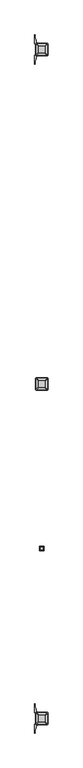
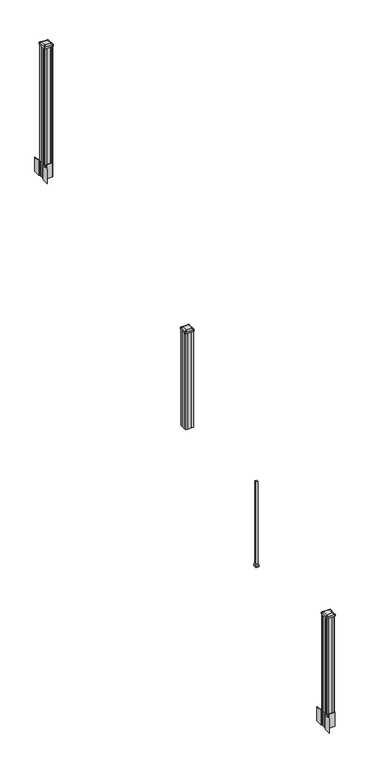
"""IFC4 building model written with IfcOpenShell, lengths in millimetres: railing geometry."""

from ifc_helpers import new_model, si_unit, point, frame, frame_2d, origin, place, context, project, spatial, polyline, circle_curve, trimmed, segment, composite_curve, outline, extrude, faceted_brep, source, transform, mapped, element, save
from ifc_brep_helpers import plane_surface, extruded_surface, advanced_brep


def railing_c8f4f0c5(model_context):
    return source(origin(), model_context, "Body", "SolidModel", [
        advanced_brep(
        [(9677.4407728, -100746.2347203, 2774.439263), (9729.0345228, -100746.2347203, 2774.439263), (9732.2095228, -100743.0597203, 2774.439263), (9732.2095228, -100691.4659703, 2774.439263), (9729.0345228, -100688.2909703, 2774.439263), (9677.4407728, -100688.2909703, 2774.439263), (9674.2657728, -100691.4659703, 2774.439263), (9674.2657728, -100743.0597203, 2774.439263), (9661.1688978, -100762.5065953, 2763.136263), (9657.9938978, -100759.3315953, 2763.136263), (9657.9938978, -100675.1940953, 2763.136263), (9661.1688978, -100672.0190953, 2763.136263), (9745.3063978, -100672.0190953, 2763.136263), (9748.4813978, -100675.1940953, 2763.136263), (9748.4813978, -100759.3315953, 2763.136263), (9745.3063978, -100762.5065953, 2763.136263)],
        [
            (0, 1),
            (1, 2, circle_curve(frame((9729.0345228, -100743.0597203, 2774.439263), z_axis=(0.0, 0.0, 1.0), x_axis=(0.0, 1.0, 0.0)), 3.175)),
            (2, 3),
            (3, 4, circle_curve(frame((9729.0345228, -100691.4659703, 2774.439263), z_axis=(0.0, 0.0, 1.0), x_axis=(0.0, 1.0, 0.0)), 3.175)),
            (4, 5),
            (5, 6, circle_curve(frame((9677.4407728, -100691.4659703, 2774.439263), z_axis=(0.0, 0.0, 1.0), x_axis=(0.0, 1.0, 0.0)), 3.175)),
            (6, 7),
            (7, 0, circle_curve(frame((9677.4407728, -100743.0597203, 2774.439263), z_axis=(0.0, 0.0, 1.0), x_axis=(0.0, 1.0, 0.0)), 3.175)),
            (8, 9, circle_curve(frame((9661.1688978, -100759.3315953, 2763.136263), z_axis=(0.0, 0.0, -1.0), x_axis=(0.0, 1.0, 0.0)), 3.175)),
            (9, 10),
            (10, 11, circle_curve(frame((9661.1688978, -100675.1940953, 2763.136263), z_axis=(0.0, 0.0, -1.0), x_axis=(0.0, 1.0, 0.0)), 3.175)),
            (11, 12),
            (12, 13, circle_curve(frame((9745.3063978, -100675.1940953, 2763.136263), z_axis=(0.0, 0.0, -1.0), x_axis=(0.0, 1.0, 0.0)), 3.175)),
            (13, 14),
            (14, 15, circle_curve(frame((9745.3063978, -100759.3315953, 2763.136263), z_axis=(0.0, 0.0, -1.0), x_axis=(0.0, 1.0, 0.0)), 3.175)),
            (15, 8),
            (8, 0),
            (7, 9),
            (6, 10),
            (5, 11),
            (4, 12),
            (3, 13),
            (2, 14),
            (1, 15),
        ],
        [
            plane_surface(frame((9703.2376478, -100717.2628453, 2774.439263), z_axis=(0.0, 0.0, 1.0), x_axis=(-1.0, 0.0, 0.0))),
            plane_surface(frame((9703.2376478, -100717.2628453, 2763.136263), z_axis=(0.0, 0.0, -1.0), x_axis=(-1.0, 0.0, 0.0))),
            extruded_surface(trimmed(circle_curve(frame((9677.4407728, -100743.0597203, 2774.439263), z_axis=(0.0, 0.0, -1.0), x_axis=(0.0, 1.0, 0.0)), 3.175), [point((9677.4407728, -100746.2347203, 2774.439263))], [point((9674.2657728, -100743.0597203, 2774.439263))], True, "CARTESIAN"), (-16.271875000000364, -16.27187499999127, -11.303000000000338), 25.637972638861),
            plane_surface(frame((9657.9938978, -100717.2628453, 2763.136263), z_axis=(-0.5705009161540778, 0.0, 0.8212969649690408), x_axis=(0.0, 1.0, 0.0))),
            extruded_surface(trimmed(circle_curve(frame((9677.4407728, -100691.4659703, 2774.439263), z_axis=(0.0, 0.0, -1.0), x_axis=(0.0, 1.0, 0.0)), 3.175), [point((9674.2657728, -100691.4659703, 2774.439263))], [point((9677.4407728, -100688.2909703, 2774.439263))], True, "CARTESIAN"), (-16.271875000000364, 16.27187500000582, -11.303000000000338), 25.637972638870238),
            plane_surface(frame((9703.2376478, -100672.0190953, 2763.136263), z_axis=(0.0, 0.5705009161540291, 0.8212969649690747), x_axis=(1.0, 0.0, 0.0))),
            extruded_surface(trimmed(circle_curve(frame((9729.0345228, -100691.4659703, 2774.439263), z_axis=(0.0, 0.0, -1.0), x_axis=(0.0, 1.0, 0.0)), 3.175), [point((9729.0345228, -100688.2909703, 2774.439263))], [point((9732.2095228, -100691.4659703, 2774.439263))], True, "CARTESIAN"), (16.271874999998545, 16.27187500000582, -11.303000000000338), 25.637972638869083),
            plane_surface(frame((9748.4813978, -100717.2628453, 2763.136263), z_axis=(0.5705009161540142, 0.0, 0.8212969649690851), x_axis=(0.0, -1.0, 0.0))),
            extruded_surface(trimmed(circle_curve(frame((9729.0345228, -100743.0597203, 2774.439263), z_axis=(0.0, 0.0, -1.0), x_axis=(0.0, 1.0, 0.0)), 3.175), [point((9732.2095228, -100743.0597203, 2774.439263))], [point((9729.0345228, -100746.2347203, 2774.439263))], True, "CARTESIAN"), (16.271874999998545, -16.27187499999127, -11.303000000000338), 25.637972638859846),
            plane_surface(frame((9703.2376478, -100762.5065953, 2763.136263), z_axis=(0.0, -0.570500916154034, 0.8212969649690713), x_axis=(-1.0, 0.0, 0.0))),
        ],
        [
            (0, [[1, 2, 3, 4, 5, 6, 7, 8]]),
            (1, [[9, 10, 11, 12, 13, 14, 15, 16]]),
            (2, [[17, -8, 18, -9]]),
            (3, [[-18, -7, 19, -10]]),
            (4, [[-19, -6, 20, -11]]),
            (5, [[-20, -5, 21, -12]]),
            (6, [[-21, -4, 22, -13]]),
            (7, [[-22, -3, 23, -14]]),
            (8, [[-23, -2, 24, -15]]),
            (9, [[-24, -1, -17, -16]]),
        ],
    ),
        extrude(outline(composite_curve([segment(trimmed(circle_curve(frame_2d((9661.1688978, -100759.3315953)), 3.175), [point((9661.1688978, -100762.5065953))], [point((9657.9938978, -100759.3315953))], False, "CARTESIAN"), True, "CONTINUOUS"), segment(polyline([(9657.9938978, -100759.3315953), (9657.9938978, -100675.1940953)]), True, "CONTINUOUS"), segment(trimmed(circle_curve(frame_2d((9661.1688978, -100675.1940953)), 3.175), [point((9657.9938978, -100675.1940953))], [point((9661.1688978, -100672.0190953))], False, "CARTESIAN"), True, "CONTINUOUS"), segment(polyline([(9661.1688978, -100672.0190953), (9745.3063978, -100672.0190953)]), True, "CONTINUOUS"), segment(trimmed(circle_curve(frame_2d((9745.3063978, -100675.1940953)), 3.175), [point((9745.3063978, -100672.0190953))], [point((9748.4813978, -100675.1940953))], False, "CARTESIAN"), True, "CONTINUOUS"), segment(polyline([(9748.4813978, -100675.1940953), (9748.4813978, -100759.3315953)]), True, "CONTINUOUS"), segment(trimmed(circle_curve(frame_2d((9745.3063978, -100759.3315953)), 3.175), [point((9748.4813978, -100759.3315953))], [point((9745.3063978, -100762.5065953))], False, "CARTESIAN"), True, "CONTINUOUS"), segment(polyline([(9745.3063978, -100762.5065953), (9661.1688978, -100762.5065953)]), True, "CONTINUOUS")], self_intersect=False)), frame((0.0, 0.0, 2745.864263), z_axis=(0.0, 0.0, 1.0), x_axis=(1.0, 0.0, 0.0)), (0.0, 0.0, 1.0), 17.272),
        extrude(outline(polyline([(9663.5501478, -100758.5378453), (9661.9626478, -100756.9503453), (9661.9626478, -100737.3288453), (9663.5501478, -100736.5668453), (9663.5501478, -100697.9588453), (9661.9626478, -100697.1968453), (9661.9626478, -100677.5753453), (9663.5501478, -100675.9878453), (9683.1716478, -100675.9878453), (9683.9336478, -100677.5753453), (9722.5416478, -100677.5753453), (9723.3036478, -100675.9878453), (9742.9251478, -100675.9878453), (9744.5126478, -100677.5753453), (9744.5126478, -100697.1968453), (9742.9251478, -100697.9588453), (9742.9251478, -100736.5668453), (9744.5126478, -100737.3288453), (9744.5126478, -100756.9503453), (9742.9251478, -100758.5378453), (9723.3036478, -100758.5378453), (9722.5416478, -100756.9503453), (9683.9336478, -100756.9503453), (9683.1716478, -100758.5378453), (9663.5501478, -100758.5378453)])), frame((0.0, 0.0, 1714.5), z_axis=(0.0, 0.0, 1.0), x_axis=(1.0, 0.0, 0.0)), (0.0, 0.0, 1.0), 1031.364263),
        faceted_brep([(9715.9376478, -101949.1628453, 984.6497081), (9715.9376478, -101923.7628453, 984.6497081), (9690.5376478, -101923.7628453, 984.6497081), (9690.5376478, -101949.1628453, 984.6497081), (9719.1126478, -101952.3378453, 968.7747081), (9687.3626478, -101952.3378453, 968.7747081), (9687.3626478, -101920.5878453, 968.7747081), (9719.1126478, -101920.5878453, 968.7747081)], [[[0, 1, 2, 3]], [[4, 5, 6, 7]], [[4, 0, 3, 5]], [[5, 3, 2, 6]], [[6, 2, 1, 7]], [[7, 1, 0, 4]]]),
        extrude(outline(polyline([(9719.1126478, -101952.3378453), (9687.3626478, -101952.3378453), (9687.3626478, -101920.5878453), (9719.1126478, -101920.5878453), (9719.1126478, -101952.3378453)])), frame((0.0, 0.0, 952.5), z_axis=(0.0, 0.0, 1.0), x_axis=(1.0, 0.0, 0.0)), (0.0, 0.0, 1.0), 16.2747081),
        extrude(outline(polyline([(9712.7626478, -101945.9878453), (9693.7126478, -101945.9878453), (9693.7126478, -101926.9378453), (9712.7626478, -101926.9378453), (9712.7626478, -101945.9878453)])), frame((0.0, 0.0, 952.5), z_axis=(0.0, 0.0, 1.0), x_axis=(1.0, 0.0, 0.0)), (0.0, 0.0, 1.0), 914.4),
        extrude(outline(polyline([(9663.5501478, -98278.7358453), (9661.9626478, -98277.1483453), (9661.9626478, -98257.5268453), (9663.5501478, -98256.7648453), (9663.5501478, -98218.1568453), (9661.9626478, -98217.3948453), (9661.9626478, -98197.7733453), (9663.5501478, -98196.1858453), (9683.1716478, -98196.1858453), (9683.9336478, -98197.7733453), (9722.5416478, -98197.7733453), (9723.3036478, -98196.1858453), (9742.9251478, -98196.1858453), (9744.5126478, -98197.7733453), (9744.5126478, -98217.3948453), (9742.9251478, -98218.1568453), (9742.9251478, -98256.7648453), (9744.5126478, -98257.5268453), (9744.5126478, -98277.1483453), (9742.9251478, -98278.7358453), (9723.3036478, -98278.7358453), (9722.5416478, -98277.1483453), (9683.9336478, -98277.1483453), (9683.1716478, -98278.7358453), (9663.5501478, -98278.7358453)])), frame((0.0, 0.0, 3048.0), z_axis=(0.0, 0.0, 1.0), x_axis=(1.0, 0.0, 0.0)), (0.0, 0.0, 1.0), 1247.740513),
        extrude(outline(composite_curve([segment(polyline([(9745.9731478, -98254.8469401), (9747.5606478, -98255.6089401), (9747.5606478, -98278.4108682), (9744.1876707, -98281.7838453), (9682.7279999, -98281.7838453), (9682.7279999, -98282.7045953), (9677.4104561, -98282.7045953), (9677.4104561, -98284.15885), (9672.3259264, -98284.15885), (9672.3259264, -98285.4428738), (9670.6586541, -98285.4428738)]), True, "CONTINUOUS"), segment(trimmed(circle_curve(frame_2d((9670.6586541, -98292.5023337)), 7.0594599), [point((9670.6586541, -98285.4428738))], [point((9663.8913912, -98290.492327))], True, "CARTESIAN"), True, "CONTINUOUS"), segment(polyline([(9663.8913912, -98290.492327), (9656.0171969, -98317.0030561)]), True, "CONTINUOUS"), segment(trimmed(circle_curve(frame_2d((9710.8017103, -98333.2751057)), 57.15), [point((9656.0171969, -98317.0030561))], [point((9653.6517103, -98333.2751057))], True, "CARTESIAN"), True, "CONTINUOUS"), segment(polyline([(9653.6517103, -98333.2751057), (9653.6517103, -98345.2838453), (9650.6517103, -98345.2838453), (9650.6517103, -98280.1963453), (9658.9146478, -98268.858054), (9658.9146478, -98255.6089401), (9660.5021478, -98254.8469401), (9660.5021478, -98220.0747504), (9658.9146478, -98219.3127504), (9658.9146478, -98206.0636366), (9650.6517103, -98194.7253453), (9650.6517103, -98129.6378453), (9653.6517103, -98129.6378453), (9653.6517103, -98141.6465848)]), True, "CONTINUOUS"), segment(trimmed(circle_curve(frame_2d((9710.8017103, -98141.6465848)), 57.15), [point((9653.6517103, -98141.6465848))], [point((9656.0171969, -98157.9186345))], True, "CARTESIAN"), True, "CONTINUOUS"), segment(polyline([(9656.0171969, -98157.9186345), (9663.8913912, -98184.4293636)]), True, "CONTINUOUS"), segment(trimmed(circle_curve(frame_2d((9670.6586541, -98182.4193569)), 7.0594599), [point((9663.8913912, -98184.4293636))], [point((9670.6586541, -98189.4788168))], True, "CARTESIAN"), True, "CONTINUOUS"), segment(polyline([(9670.6586541, -98189.4788168), (9672.3259264, -98189.4788168), (9672.3259264, -98190.7628406), (9677.4104561, -98190.7628406), (9677.4104561, -98192.2170953), (9682.7279999, -98192.2170953), (9682.7279999, -98193.1378453), (9744.1876707, -98193.1378453), (9747.5606478, -98196.5108224), (9747.5606478, -98219.3127504), (9745.9731478, -98220.0747504), (9745.9731478, -98254.8469401)]), True, "CONTINUOUS")], self_intersect=False), holes=[polyline([(9661.9626478, -98197.7733453), (9661.9626478, -98277.1483453), (9663.5501478, -98278.7358453), (9700.4744304, -98278.7358453), (9742.9251478, -98278.7358453), (9744.5126478, -98277.1483453), (9744.5126478, -98197.7733453), (9742.9251478, -98196.1858453), (9700.4744304, -98196.1858453), (9663.5501478, -98196.1858453), (9661.9626478, -98197.7733453)])]), frame((0.0, 0.0, 2895.6), z_axis=(0.0, 0.0, 1.0), x_axis=(1.0, 0.0, 0.0)), (0.0, 0.0, 1.0), 152.4),
        advanced_brep(
        [(9677.4407728, -98266.4327203, 4324.315513), (9729.0345228, -98266.4327203, 4324.315513), (9732.2095228, -98263.2577203, 4324.315513), (9732.2095228, -98211.6639703, 4324.315513), (9729.0345228, -98208.4889703, 4324.315513), (9677.4407728, -98208.4889703, 4324.315513), (9674.2657728, -98211.6639703, 4324.315513), (9674.2657728, -98263.2577203, 4324.315513), (9661.1688978, -98282.7045953, 4313.012513), (9657.9938978, -98279.5295953, 4313.012513), (9657.9938978, -98195.3920953, 4313.012513), (9661.1688978, -98192.2170953, 4313.012513), (9745.3063978, -98192.2170953, 4313.012513), (9748.4813978, -98195.3920953, 4313.012513), (9748.4813978, -98279.5295953, 4313.012513), (9745.3063978, -98282.7045953, 4313.012513)],
        [
            (0, 1),
            (1, 2, circle_curve(frame((9729.0345228, -98263.2577203, 4324.315513), z_axis=(0.0, 0.0, 1.0), x_axis=(0.0, 1.0, 0.0)), 3.175)),
            (2, 3),
            (3, 4, circle_curve(frame((9729.0345228, -98211.6639703, 4324.315513), z_axis=(0.0, 0.0, 1.0), x_axis=(0.0, 1.0, 0.0)), 3.175)),
            (4, 5),
            (5, 6, circle_curve(frame((9677.4407728, -98211.6639703, 4324.315513), z_axis=(0.0, 0.0, 1.0), x_axis=(0.0, 1.0, 0.0)), 3.175)),
            (6, 7),
            (7, 0, circle_curve(frame((9677.4407728, -98263.2577203, 4324.315513), z_axis=(0.0, 0.0, 1.0), x_axis=(0.0, 1.0, 0.0)), 3.175)),
            (8, 9, circle_curve(frame((9661.1688978, -98279.5295953, 4313.012513), z_axis=(0.0, 0.0, -1.0), x_axis=(0.0, 1.0, 0.0)), 3.175)),
            (9, 10),
            (10, 11, circle_curve(frame((9661.1688978, -98195.3920953, 4313.012513), z_axis=(0.0, 0.0, -1.0), x_axis=(0.0, 1.0, 0.0)), 3.175)),
            (11, 12),
            (12, 13, circle_curve(frame((9745.3063978, -98195.3920953, 4313.012513), z_axis=(0.0, 0.0, -1.0), x_axis=(0.0, 1.0, 0.0)), 3.175)),
            (13, 14),
            (14, 15, circle_curve(frame((9745.3063978, -98279.5295953, 4313.012513), z_axis=(0.0, 0.0, -1.0), x_axis=(0.0, 1.0, 0.0)), 3.175)),
            (15, 8),
            (8, 0),
            (7, 9),
            (6, 10),
            (5, 11),
            (4, 12),
            (3, 13),
            (2, 14),
            (1, 15),
        ],
        [
            plane_surface(frame((9703.2376478, -98237.4608453, 4324.315513), z_axis=(0.0, 0.0, 1.0), x_axis=(-1.0, 0.0, 0.0))),
            plane_surface(frame((9703.2376478, -98237.4608453, 4313.012513), z_axis=(0.0, 0.0, -1.0), x_axis=(-1.0, 0.0, 0.0))),
            extruded_surface(trimmed(circle_curve(frame((9677.4407728, -98263.2577203, 4324.315513), z_axis=(0.0, 0.0, -1.0), x_axis=(0.0, 1.0, 0.0)), 3.175), [point((9677.4407728, -98266.4327203, 4324.315513))], [point((9674.2657728, -98263.2577203, 4324.315513))], True, "CARTESIAN"), (-16.271875000000364, -16.27187500000582, -11.302999999999884), 25.637972638870036),
            plane_surface(frame((9657.9938978, -98237.4608453, 4313.012513), z_axis=(-0.5705009161540687, 0.0, 0.8212969649690472), x_axis=(0.0, 1.0, 0.0))),
            extruded_surface(trimmed(circle_curve(frame((9677.4407728, -98211.6639703, 4324.315513), z_axis=(0.0, 0.0, -1.0), x_axis=(0.0, 1.0, 0.0)), 3.175), [point((9674.2657728, -98211.6639703, 4324.315513))], [point((9677.4407728, -98208.4889703, 4324.315513))], True, "CARTESIAN"), (-16.271875000000364, 16.27187499999127, -11.302999999999884), 25.637972638860802),
            plane_surface(frame((9703.2376478, -98192.2170953, 4313.012513), z_axis=(0.0, 0.5705009161540291, 0.8212969649690747), x_axis=(1.0, 0.0, 0.0))),
            extruded_surface(trimmed(circle_curve(frame((9729.0345228, -98211.6639703, 4324.315513), z_axis=(0.0, 0.0, -1.0), x_axis=(0.0, 1.0, 0.0)), 3.175), [point((9729.0345228, -98208.4889703, 4324.315513))], [point((9732.2095228, -98211.6639703, 4324.315513))], True, "CARTESIAN"), (16.271874999998545, 16.27187499999127, -11.302999999999884), 25.637972638859644),
            plane_surface(frame((9748.4813978, -98237.4608453, 4313.012513), z_axis=(0.5705009161540233, 0.0, 0.8212969649690787), x_axis=(0.0, -1.0, 0.0))),
            extruded_surface(trimmed(circle_curve(frame((9729.0345228, -98263.2577203, 4324.315513), z_axis=(0.0, 0.0, -1.0), x_axis=(0.0, 1.0, 0.0)), 3.175), [point((9732.2095228, -98263.2577203, 4324.315513))], [point((9729.0345228, -98266.4327203, 4324.315513))], True, "CARTESIAN"), (16.271874999998545, -16.27187500000582, -11.302999999999884), 25.63797263886888),
            plane_surface(frame((9703.2376478, -98282.7045953, 4313.012513), z_axis=(0.0, -0.570500916154034, 0.8212969649690713), x_axis=(-1.0, 0.0, 0.0))),
        ],
        [
            (0, [[1, 2, 3, 4, 5, 6, 7, 8]]),
            (1, [[9, 10, 11, 12, 13, 14, 15, 16]]),
            (2, [[17, -8, 18, -9]]),
            (3, [[-18, -7, 19, -10]]),
            (4, [[-19, -6, 20, -11]]),
            (5, [[-20, -5, 21, -12]]),
            (6, [[-21, -4, 22, -13]]),
            (7, [[-22, -3, 23, -14]]),
            (8, [[-23, -2, 24, -15]]),
            (9, [[-24, -1, -17, -16]]),
        ],
    ),
        extrude(outline(composite_curve([segment(trimmed(circle_curve(frame_2d((9661.1688978, -98279.5295953)), 3.175), [point((9661.1688978, -98282.7045953))], [point((9657.9938978, -98279.5295953))], False, "CARTESIAN"), True, "CONTINUOUS"), segment(polyline([(9657.9938978, -98279.5295953), (9657.9938978, -98195.3920953)]), True, "CONTINUOUS"), segment(trimmed(circle_curve(frame_2d((9661.1688978, -98195.3920953)), 3.175), [point((9657.9938978, -98195.3920953))], [point((9661.1688978, -98192.2170953))], False, "CARTESIAN"), True, "CONTINUOUS"), segment(polyline([(9661.1688978, -98192.2170953), (9745.3063978, -98192.2170953)]), True, "CONTINUOUS"), segment(trimmed(circle_curve(frame_2d((9745.3063978, -98195.3920953)), 3.175), [point((9745.3063978, -98192.2170953))], [point((9748.4813978, -98195.3920953))], False, "CARTESIAN"), True, "CONTINUOUS"), segment(polyline([(9748.4813978, -98195.3920953), (9748.4813978, -98279.5295953)]), True, "CONTINUOUS"), segment(trimmed(circle_curve(frame_2d((9745.3063978, -98279.5295953)), 3.175), [point((9748.4813978, -98279.5295953))], [point((9745.3063978, -98282.7045953))], False, "CARTESIAN"), True, "CONTINUOUS"), segment(polyline([(9745.3063978, -98282.7045953), (9661.1688978, -98282.7045953)]), True, "CONTINUOUS")], self_intersect=False)), frame((0.0, 0.0, 4295.740513), z_axis=(0.0, 0.0, 1.0), x_axis=(1.0, 0.0, 0.0)), (0.0, 0.0, 1.0), 17.272),
        extrude(outline(composite_curve([segment(polyline([(9745.9731478, -103214.4509401), (9747.5606478, -103215.2129401), (9747.5606478, -103238.0148682), (9744.1876707, -103241.3878453), (9682.7279999, -103241.3878453), (9682.7279999, -103242.3085953), (9677.4104561, -103242.3085953), (9677.4104561, -103243.76285), (9672.3259264, -103243.76285), (9672.3259264, -103245.0468738), (9670.6586541, -103245.0468738)]), True, "CONTINUOUS"), segment(trimmed(circle_curve(frame_2d((9670.6586541, -103252.1063337)), 7.0594599), [point((9670.6586541, -103245.0468738))], [point((9663.8913912, -103250.096327))], True, "CARTESIAN"), True, "CONTINUOUS"), segment(polyline([(9663.8913912, -103250.096327), (9656.0171969, -103276.6070561)]), True, "CONTINUOUS"), segment(trimmed(circle_curve(frame_2d((9710.8017103, -103292.8791057)), 57.15), [point((9656.0171969, -103276.6070561))], [point((9653.6517103, -103292.8791057))], True, "CARTESIAN"), True, "CONTINUOUS"), segment(polyline([(9653.6517103, -103292.8791057), (9653.6517103, -103304.8878453), (9650.6517103, -103304.8878453), (9650.6517103, -103239.8003453), (9658.9146478, -103228.462054), (9658.9146478, -103215.2129401), (9660.5021478, -103214.4509401), (9660.5021478, -103179.6787504), (9658.9146478, -103178.9167504), (9658.9146478, -103165.6676366), (9650.6517103, -103154.3293453), (9650.6517103, -103089.2418453), (9653.6517103, -103089.2418453), (9653.6517103, -103101.2505848)]), True, "CONTINUOUS"), segment(trimmed(circle_curve(frame_2d((9710.8017103, -103101.2505848)), 57.15), [point((9653.6517103, -103101.2505848))], [point((9656.0171969, -103117.5226345))], True, "CARTESIAN"), True, "CONTINUOUS"), segment(polyline([(9656.0171969, -103117.5226345), (9663.8913912, -103144.0333636)]), True, "CONTINUOUS"), segment(trimmed(circle_curve(frame_2d((9670.6586541, -103142.0233569)), 7.0594599), [point((9663.8913912, -103144.0333636))], [point((9670.6586541, -103149.0828168))], True, "CARTESIAN"), True, "CONTINUOUS"), segment(polyline([(9670.6586541, -103149.0828168), (9672.3259264, -103149.0828168), (9672.3259264, -103150.3668406), (9677.4104561, -103150.3668406), (9677.4104561, -103151.8210953), (9682.7279999, -103151.8210953), (9682.7279999, -103152.7418453), (9744.1876707, -103152.7418453), (9747.5606478, -103156.1148224), (9747.5606478, -103178.9167504), (9745.9731478, -103179.6787504), (9745.9731478, -103214.4509401)]), True, "CONTINUOUS")], self_intersect=False), holes=[polyline([(9661.9626478, -103157.3773453), (9661.9626478, -103236.7523453), (9663.5501478, -103238.3398453), (9700.4744304, -103238.3398453), (9742.9251478, -103238.3398453), (9744.5126478, -103236.7523453), (9744.5126478, -103157.3773453), (9742.9251478, -103155.7898453), (9700.4744304, -103155.7898453), (9663.5501478, -103155.7898453), (9661.9626478, -103157.3773453)])]), frame((0.0, 0.0, 12.22375), z_axis=(0.0, 0.0, 1.0), x_axis=(1.0, 0.0, 0.0)), (0.0, 0.0, 1.0), 152.4),
        advanced_brep(
        [(9677.4407728, -103226.0367203, 1224.563013), (9729.0345228, -103226.0367203, 1224.563013), (9732.2095228, -103222.8617203, 1224.563013), (9732.2095228, -103171.2679703, 1224.563013), (9729.0345228, -103168.0929703, 1224.563013), (9677.4407728, -103168.0929703, 1224.563013), (9674.2657728, -103171.2679703, 1224.563013), (9674.2657728, -103222.8617203, 1224.563013), (9661.1688978, -103242.3085953, 1213.260013), (9657.9938978, -103239.1335953, 1213.260013), (9657.9938978, -103154.9960953, 1213.260013), (9661.1688978, -103151.8210953, 1213.260013), (9745.3063978, -103151.8210953, 1213.260013), (9748.4813978, -103154.9960953, 1213.260013), (9748.4813978, -103239.1335953, 1213.260013), (9745.3063978, -103242.3085953, 1213.260013)],
        [
            (0, 1),
            (1, 2, circle_curve(frame((9729.0345228, -103222.8617203, 1224.563013), z_axis=(0.0, 0.0, 1.0), x_axis=(0.0, 1.0, 0.0)), 3.175)),
            (2, 3),
            (3, 4, circle_curve(frame((9729.0345228, -103171.2679703, 1224.563013), z_axis=(0.0, 0.0, 1.0), x_axis=(0.0, 1.0, 0.0)), 3.175)),
            (4, 5),
            (5, 6, circle_curve(frame((9677.4407728, -103171.2679703, 1224.563013), z_axis=(0.0, 0.0, 1.0), x_axis=(0.0, 1.0, 0.0)), 3.175)),
            (6, 7),
            (7, 0, circle_curve(frame((9677.4407728, -103222.8617203, 1224.563013), z_axis=(0.0, 0.0, 1.0), x_axis=(0.0, 1.0, 0.0)), 3.175)),
            (8, 9, circle_curve(frame((9661.1688978, -103239.1335953, 1213.260013), z_axis=(0.0, 0.0, -1.0), x_axis=(0.0, 1.0, 0.0)), 3.175)),
            (9, 10),
            (10, 11, circle_curve(frame((9661.1688978, -103154.9960953, 1213.260013), z_axis=(0.0, 0.0, -1.0), x_axis=(0.0, 1.0, 0.0)), 3.175)),
            (11, 12),
            (12, 13, circle_curve(frame((9745.3063978, -103154.9960953, 1213.260013), z_axis=(0.0, 0.0, -1.0), x_axis=(0.0, 1.0, 0.0)), 3.175)),
            (13, 14),
            (14, 15, circle_curve(frame((9745.3063978, -103239.1335953, 1213.260013), z_axis=(0.0, 0.0, -1.0), x_axis=(0.0, 1.0, 0.0)), 3.175)),
            (15, 8),
            (8, 0),
            (7, 9),
            (6, 10),
            (5, 11),
            (4, 12),
            (3, 13),
            (2, 14),
            (1, 15),
        ],
        [
            plane_surface(frame((9703.2376478, -103197.0648453, 1224.563013), z_axis=(0.0, 0.0, 1.0), x_axis=(-1.0, 0.0, 0.0))),
            plane_surface(frame((9703.2376478, -103197.0648453, 1213.260013), z_axis=(0.0, 0.0, -1.0), x_axis=(-1.0, 0.0, 0.0))),
            extruded_surface(trimmed(circle_curve(frame((9677.4407728, -103222.8617203, 1224.563013), z_axis=(0.0, 0.0, -1.0), x_axis=(0.0, 1.0, 0.0)), 3.175), [point((9677.4407728, -103226.0367203, 1224.563013))], [point((9674.2657728, -103222.8617203, 1224.563013))], True, "CARTESIAN"), (-16.271875000000364, -16.27187499999127, -11.302999999999884), 25.637972638860802),
            plane_surface(frame((9657.9938978, -103197.0648453, 1213.260013), z_axis=(-0.5705009161540778, 0.0, 0.8212969649690408), x_axis=(0.0, 1.0, 0.0))),
            extruded_surface(trimmed(circle_curve(frame((9677.4407728, -103171.2679703, 1224.563013), z_axis=(0.0, 0.0, -1.0), x_axis=(0.0, 1.0, 0.0)), 3.175), [point((9674.2657728, -103171.2679703, 1224.563013))], [point((9677.4407728, -103168.0929703, 1224.563013))], True, "CARTESIAN"), (-16.271875000000364, 16.27187500000582, -11.302999999999884), 25.637972638870036),
            plane_surface(frame((9703.2376478, -103151.8210953, 1213.260013), z_axis=(0.0, 0.5705009161540291, 0.8212969649690747), x_axis=(1.0, 0.0, 0.0))),
            extruded_surface(trimmed(circle_curve(frame((9729.0345228, -103171.2679703, 1224.563013), z_axis=(0.0, 0.0, -1.0), x_axis=(0.0, 1.0, 0.0)), 3.175), [point((9729.0345228, -103168.0929703, 1224.563013))], [point((9732.2095228, -103171.2679703, 1224.563013))], True, "CARTESIAN"), (16.271874999998545, 16.27187500000582, -11.302999999999884), 25.63797263886888),
            plane_surface(frame((9748.4813978, -103197.0648453, 1213.260013), z_axis=(0.5705009161540142, 0.0, 0.8212969649690851), x_axis=(0.0, -1.0, 0.0))),
            extruded_surface(trimmed(circle_curve(frame((9729.0345228, -103222.8617203, 1224.563013), z_axis=(0.0, 0.0, -1.0), x_axis=(0.0, 1.0, 0.0)), 3.175), [point((9732.2095228, -103222.8617203, 1224.563013))], [point((9729.0345228, -103226.0367203, 1224.563013))], True, "CARTESIAN"), (16.271874999998545, -16.27187499999127, -11.302999999999884), 25.637972638859644),
            plane_surface(frame((9703.2376478, -103242.3085953, 1213.260013), z_axis=(0.0, -0.570500916154034, 0.8212969649690713), x_axis=(-1.0, 0.0, 0.0))),
        ],
        [
            (0, [[1, 2, 3, 4, 5, 6, 7, 8]]),
            (1, [[9, 10, 11, 12, 13, 14, 15, 16]]),
            (2, [[17, -8, 18, -9]]),
            (3, [[-18, -7, 19, -10]]),
            (4, [[-19, -6, 20, -11]]),
            (5, [[-20, -5, 21, -12]]),
            (6, [[-21, -4, 22, -13]]),
            (7, [[-22, -3, 23, -14]]),
            (8, [[-23, -2, 24, -15]]),
            (9, [[-24, -1, -17, -16]]),
        ],
    ),
        extrude(outline(composite_curve([segment(trimmed(circle_curve(frame_2d((9661.1688978, -103239.1335953)), 3.175), [point((9661.1688978, -103242.3085953))], [point((9657.9938978, -103239.1335953))], False, "CARTESIAN"), True, "CONTINUOUS"), segment(polyline([(9657.9938978, -103239.1335953), (9657.9938978, -103154.9960953)]), True, "CONTINUOUS"), segment(trimmed(circle_curve(frame_2d((9661.1688978, -103154.9960953)), 3.175), [point((9657.9938978, -103154.9960953))], [point((9661.1688978, -103151.8210953))], False, "CARTESIAN"), True, "CONTINUOUS"), segment(polyline([(9661.1688978, -103151.8210953), (9745.3063978, -103151.8210953)]), True, "CONTINUOUS"), segment(trimmed(circle_curve(frame_2d((9745.3063978, -103154.9960953)), 3.175), [point((9745.3063978, -103151.8210953))], [point((9748.4813978, -103154.9960953))], False, "CARTESIAN"), True, "CONTINUOUS"), segment(polyline([(9748.4813978, -103154.9960953), (9748.4813978, -103239.1335953)]), True, "CONTINUOUS"), segment(trimmed(circle_curve(frame_2d((9745.3063978, -103239.1335953)), 3.175), [point((9748.4813978, -103239.1335953))], [point((9745.3063978, -103242.3085953))], False, "CARTESIAN"), True, "CONTINUOUS"), segment(polyline([(9745.3063978, -103242.3085953), (9661.1688978, -103242.3085953)]), True, "CONTINUOUS")], self_intersect=False)), frame((0.0, 0.0, 1195.988013), z_axis=(0.0, 0.0, 1.0), x_axis=(1.0, 0.0, 0.0)), (0.0, 0.0, 1.0), 17.272),
        extrude(outline(polyline([(9663.5501478, -103238.3398453), (9661.9626478, -103236.7523453), (9661.9626478, -103217.1308453), (9663.5501478, -103216.3688453), (9663.5501478, -103177.7608453), (9661.9626478, -103176.9988453), (9661.9626478, -103157.3773453), (9663.5501478, -103155.7898453), (9683.1716478, -103155.7898453), (9683.9336478, -103157.3773453), (9722.5416478, -103157.3773453), (9723.3036478, -103155.7898453), (9742.9251478, -103155.7898453), (9744.5126478, -103157.3773453), (9744.5126478, -103176.9988453), (9742.9251478, -103177.7608453), (9742.9251478, -103216.3688453), (9744.5126478, -103217.1308453), (9744.5126478, -103236.7523453), (9742.9251478, -103238.3398453), (9723.3036478, -103238.3398453), (9722.5416478, -103236.7523453), (9683.9336478, -103236.7523453), (9683.1716478, -103238.3398453), (9663.5501478, -103238.3398453)])), frame((0.0, 0.0, 164.62375), z_axis=(0.0, 0.0, 1.0), x_axis=(1.0, 0.0, 0.0)), (0.0, 0.0, 1.0), 1031.364263),
    ])


if __name__ == "__main__":
    model = new_model("IFC4")
    model_context = context("Model", 3, world=origin())
    ifc_project = project(units=[si_unit("LENGTHUNIT", "METRE", prefix="MILLI")], contexts=[model_context])
    site = spatial("IfcSite", under=ifc_project)
    building = spatial("IfcBuilding", under=site)
    placement = place(None, origin())
    railing_shape = railing_c8f4f0c5(model_context)
    element("IfcRailing", 1, at=placement, inside=building, context=model_context, shape_type="MappedRepresentation", body=[
        mapped(railing_shape, transform((0.0, 0.0, 0.0), x_axis=(1.0, 0.0, 0.0), y_axis=(0.0, 1.0, 0.0), z_axis=(0.0, 0.0, 1.0))),
    ])
    save(model, "model.ifc")
